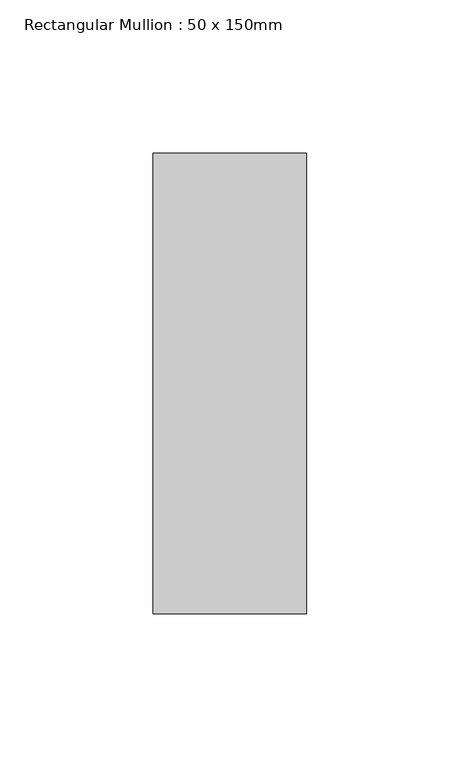
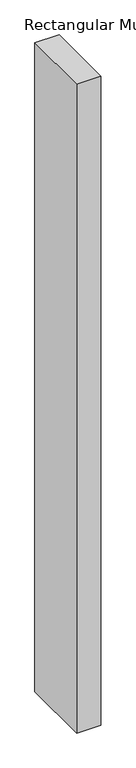
"""IFC4 building model written with IfcOpenShell, lengths in millimetres: member geometry, Rectangular Mullion : 50 x 150mm."""

import ifcopenshell
import ifcopenshell.guid

model = None  # the IFC model being written
_history = None  # IfcOwnerHistory: only IFC2X3 demands one
_inside = {}  # id of a spatial element -> (the spatial element, [elements in it])
_under = {}  # id of a project, library or spatial element -> (it, [spatial elements below it])
_declared = {}  # id of a project -> (the project, [libraries it declares])
_typed = {}  # id of a type object -> (the type object, [elements of that type])
_made_of = {}  # id of a material, layer set ... -> (it, [elements and type objects made of it])


def new_model(schema):
    """Start an empty IFC model of exactly this schema.

    Asked for "IFC4X3", IfcOpenShell would pick the latest addendum, in which some entities
    have other attributes; the version numbers below select the first issue.
    IFC2X3 requires an IfcOwnerHistory on every rooted entity: one is made here for all.
    """
    global model, _history
    if schema == "IFC4X3":
        model = ifcopenshell.file(schema_version=(4, 3, 0, 0))
    else:
        model = ifcopenshell.file(schema=schema)
    _inside.clear()
    _under.clear()
    _declared.clear()
    _typed.clear()
    _made_of.clear()
    _history = None
    if model.schema == "IFC2X3":
        org = make("IfcOrganization", Name="unknown")
        user = make(
            "IfcPersonAndOrganization",
            ThePerson=make("IfcPerson", FamilyName="unknown"),
            TheOrganization=org,
        )
        app = make(
            "IfcApplication",
            ApplicationDeveloper=org,
            Version="unknown",
            ApplicationFullName="unknown",
            ApplicationIdentifier="unknown",
        )
        _history = make(
            "IfcOwnerHistory",
            OwningUser=user,
            OwningApplication=app,
            ChangeAction="ADDED",
            CreationDate=0,
        )
    return model


def make(cls, **values):
    """One entity of the class cls with the attributes given. An attribute that is None is left unset."""
    return model.create_entity(
        cls, **{name: value for name, value in values.items() if value is not None}
    )


def rooted(cls, **values):
    """An entity with a GlobalId (a new one), such as an element, a storey or a relation."""
    return make(cls, GlobalId=ifcopenshell.guid.new(), OwnerHistory=_history, **values)


def si_unit(unit_type, name, prefix=None):
    """IfcSIUnit, for example si_unit("LENGTHUNIT", "METRE", prefix="MILLI")."""
    return make("IfcSIUnit", UnitType=unit_type, Prefix=prefix, Name=name)


def assignment(units):
    """IfcUnitAssignment: the units of a project."""
    return None if units is None else make("IfcUnitAssignment", Units=units)


def point(xyz):
    """IfcCartesianPoint."""
    return None if xyz is None else make("IfcCartesianPoint", Coordinates=xyz)


def direction(xyz):
    """IfcDirection."""
    return None if xyz is None else make("IfcDirection", DirectionRatios=xyz)


def frame(location, z_axis=None, x_axis=None):
    """IfcAxis2Placement3D, a coordinate frame: its origin and axes. An axis left out is left unset."""
    return make(
        "IfcAxis2Placement3D",
        Location=point(location),
        Axis=direction(z_axis),
        RefDirection=direction(x_axis),
    )


def origin():
    """The frame at (0, 0, 0) with its axes left unset."""
    return frame((0.0, 0.0, 0.0))


def place(relative_to, where):
    """IfcLocalPlacement: puts the frame where relative to a parent placement (None: the world)."""
    return make(
        "IfcLocalPlacement", PlacementRelTo=relative_to, RelativePlacement=where
    )


def context(
    kind, dimensions, precision=None, world=None, true_north=None, identifier=None
):
    """IfcGeometricRepresentationContext, for example the 3D "Model" context."""
    return make(
        "IfcGeometricRepresentationContext",
        ContextIdentifier=identifier,
        ContextType=kind,
        CoordinateSpaceDimension=dimensions,
        Precision=precision,
        WorldCoordinateSystem=world,
        TrueNorth=true_north,
    )


def project(units=None, contexts=None):
    """IfcProject with its units and contexts."""
    return rooted(
        "IfcProject",
        Name="project",
        RepresentationContexts=contexts,
        UnitsInContext=assignment(units),
    )


def spatial(cls, under=None, at=None, **own):
    """A site, building, storey or space (cls), placed at a placement, below another one or the project."""
    s = rooted(cls, ObjectPlacement=at, **own)
    if under is not None:
        _under.setdefault(under.id(), (under, []))[1].append(s)
    return s


def polyline(points):
    """IfcPolyline through the points."""
    return make("IfcPolyline", Points=[point(p) for p in points])


def outline(outer, holes=None, kind="AREA"):
    """IfcArbitraryClosedProfileDef: a profile drawn as a closed curve; with holes, ...WithVoids."""
    if holes is None:
        return make("IfcArbitraryClosedProfileDef", ProfileType=kind, OuterCurve=outer)
    return make(
        "IfcArbitraryProfileDefWithVoids",
        ProfileType=kind,
        OuterCurve=outer,
        InnerCurves=holes,
    )


def extrude(swept, where, along, depth):
    """IfcExtrudedAreaSolid: the profile swept, set in the frame where, extruded along a direction by depth."""
    return make(
        "IfcExtrudedAreaSolid",
        SweptArea=swept,
        Position=where,
        ExtrudedDirection=direction(along),
        Depth=depth,
    )


def shape(context_of_items, identifier, shape_type, items):
    """IfcShapeRepresentation: the items that make up one representation, for example the "Body"."""
    return make(
        "IfcShapeRepresentation",
        ContextOfItems=context_of_items,
        RepresentationIdentifier=identifier,
        RepresentationType=shape_type,
        Items=items,
    )


def source(mapping_origin, context_of_items, identifier, shape_type, items):
    """IfcRepresentationMap: a shape defined once, which mapped items show again and again."""
    return make(
        "IfcRepresentationMap",
        MappingOrigin=mapping_origin,
        MappedRepresentation=shape(context_of_items, identifier, shape_type, items),
    )


def transform(
    local_origin,
    x_axis=None,
    y_axis=None,
    z_axis=None,
    scale=None,
    scale2=None,
    scale3=None,
    uniform=True,
):
    """IfcCartesianTransformationOperator3D, or its non-uniform kind. x_axis, y_axis, z_axis: its Axis1, 2, 3."""
    if uniform:
        return make(
            "IfcCartesianTransformationOperator3D",
            Axis1=direction(x_axis),
            Axis2=direction(y_axis),
            LocalOrigin=point(local_origin),
            Scale=scale,
            Axis3=direction(z_axis),
        )
    return make(
        "IfcCartesianTransformationOperator3DnonUniform",
        Axis1=direction(x_axis),
        Axis2=direction(y_axis),
        LocalOrigin=point(local_origin),
        Scale=scale,
        Axis3=direction(z_axis),
        Scale2=scale2,
        Scale3=scale3,
    )


def mapped(mapping_source, mapping_target):
    """IfcMappedItem: shows the shape of a source again, moved by a transform."""
    return make(
        "IfcMappedItem", MappingSource=mapping_source, MappingTarget=mapping_target
    )


def made_of(thing, what):
    """Note that an element or type object is made of a material, layer set ...; save() writes the relation."""
    if what is not None:
        _made_of.setdefault(what.id(), (what, []))[1].append(thing)
    return thing


def element(
    cls,
    number,
    at=None,
    inside=None,
    cuts=None,
    type_object=None,
    material=None,
    context=None,
    identifier="Body",
    shape_type=None,
    held_by="IfcProductDefinitionShape",
    body=None,
    shapes=None,
    **own,
):
    """One element of the class cls, such as IfcWall. Its Tag is "e" and its number.

    at: its placement. inside: the storey or other place that contains it. cuts: it is an
    opening in that element (IfcRelVoidsElement). A single representation is given by context,
    identifier, shape_type and body (its items); several are given by shapes. held_by: the class
    of the entity that holds the representations. save() writes the other relations.
    """
    e = rooted(cls, Tag="e%d" % number, ObjectPlacement=at, **own)
    if body is not None:
        shapes = [shape(context, identifier, shape_type, body)]
    if shapes is not None:
        e.Representation = make(held_by, Representations=shapes)
    if inside is not None:
        _inside.setdefault(inside.id(), (inside, []))[1].append(e)
    if cuts is not None:
        rooted(
            "IfcRelVoidsElement", RelatingBuildingElement=cuts, RelatedOpeningElement=e
        )
    if type_object is not None:
        _typed.setdefault(type_object.id(), (type_object, []))[1].append(e)
    return made_of(e, material)


def aggregate(whole, parts):
    """IfcRelAggregates: a whole, such as a stair, and the parts it consists of."""
    return rooted("IfcRelAggregates", RelatingObject=whole, RelatedObjects=parts)


def save(model, path):
    """Write the relations noted so far, then the file.

    IfcRelAggregates (storeys below a building ...), IfcRelContainedInSpatialStructure (elements
    in a storey), IfcRelDefinesByType, IfcRelAssociatesMaterial and IfcRelDeclares: one each for
    every whole, place, type object, material and project.
    """
    for whole, parts in _under.values():
        aggregate(whole, parts)
    for where, things in _inside.values():
        rooted(
            "IfcRelContainedInSpatialStructure",
            RelatedElements=things,
            RelatingStructure=where,
        )
    for kind, things in _typed.values():
        rooted("IfcRelDefinesByType", RelatedObjects=things, RelatingType=kind)
    for what, things in _made_of.values():
        rooted("IfcRelAssociatesMaterial", RelatedObjects=things, RelatingMaterial=what)
    for by, libraries in _declared.values():
        rooted("IfcRelDeclares", RelatingContext=by, RelatedDefinitions=libraries)
    model.write(path)


def rectangular_mullion_50_x_150mm_75515da0(model_context):
    return source(origin(), model_context, "Body", "SweptSolid", [
        extrude(outline(polyline([(25.0, 75.0), (25.0, -75.0), (-25.0, -75.0), (-25.0, 75.0), (25.0, 75.0)])), frame((0.0, 0.0, -1419.4444444), z_axis=(0.0, 0.0, 1.0), x_axis=(1.0, 0.0, 0.0)), (0.0, 0.0, 1.0), 1419.4444444),
    ])


if __name__ == "__main__":
    model = new_model("IFC4")
    model_context = context("Model", 3, world=origin())
    ifc_project = project(units=[si_unit("LENGTHUNIT", "METRE", prefix="MILLI")], contexts=[model_context])
    site = spatial("IfcSite", under=ifc_project)
    building = spatial("IfcBuilding", under=site)
    placement = place(None, origin())
    rectangular_mullion_50_x_150mm_shape = rectangular_mullion_50_x_150mm_75515da0(model_context)
    element("IfcMember", 1, ObjectType="Rectangular Mullion : 50 x 150mm", at=placement, inside=building, context=model_context, shape_type="MappedRepresentation", body=[
        mapped(rectangular_mullion_50_x_150mm_shape, transform((0.0, 0.0, 0.0), x_axis=(1.0, 0.0, 0.0), y_axis=(0.0, 1.0, 0.0), z_axis=(0.0, 0.0, 1.0))),
    ])
    save(model, "model.ifc")
